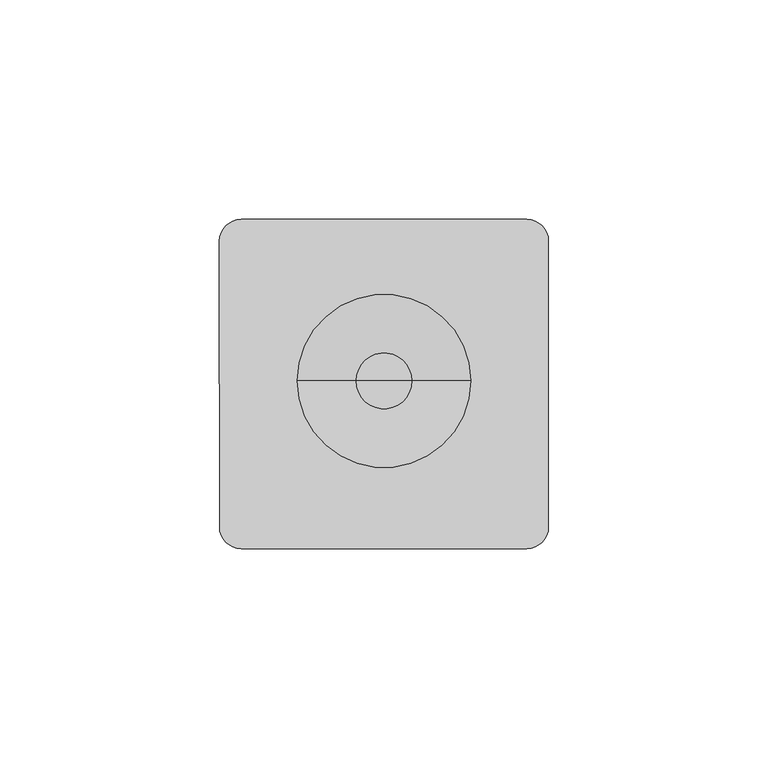
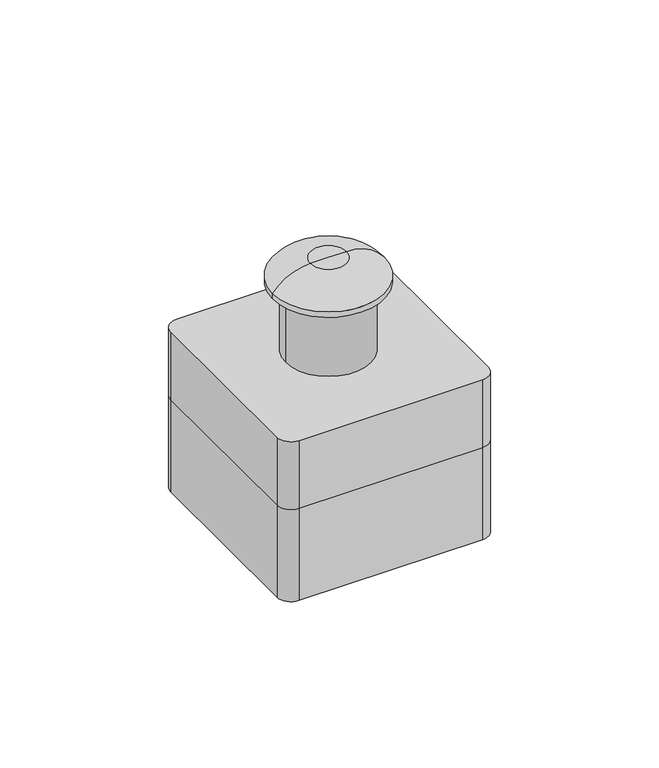
"""IFC4 building model written with IfcOpenShell, lengths in millimetres: proxy geometry."""

from ifc_helpers import new_model, si_unit, point, frame, frame_2d, origin, place, context, project, spatial, circle_curve, ellipse_curve, trimmed, segment, composite_curve, outline, extrude, source, transform, mapped, element, save
from ifc_brep_helpers import plane_surface, cylinder_surface, revolved_surface, advanced_brep


def specialty_equipment_959d6e12(model_context):
    return source(origin(), model_context, "Body", "SolidModel", [
        advanced_brep(
        [(0.0, -90.0132069, 999.728125), (19.7414983, -90.0132069, 999.728125), (-19.7414983, -90.0132069, 999.728125), (-6.35, -90.0132069, 1008.38), (6.35, -90.0132069, 1008.38), (0.0, -90.0132069, 1008.38), (-19.7414983, -90.0132069, 1001.7695553), (19.7414983, -90.0132069, 1001.7695553)],
        [
            (0, 1),
            (1, 2, circle_curve(frame((0.0, -90.0132069, 999.728125), z_axis=(0.0, 0.0, -1.0), x_axis=(1.0, 0.0, 0.0)), 19.7414983)),
            (2, 0),
            (2, 1, circle_curve(frame((0.0, -90.0132069, 999.728125), z_axis=(0.0, 0.0, -1.0), x_axis=(1.0, 0.0, 0.0)), 19.7414983)),
            (3, 4, circle_curve(frame((0.0, -90.0132069, 1008.38), z_axis=(0.0, 0.0, 1.0), x_axis=(1.0, 0.0, 0.0)), 6.35)),
            (4, 5),
            (5, 3),
            (4, 3, circle_curve(frame((0.0, -90.0132069, 1008.38), z_axis=(0.0, 0.0, 1.0), x_axis=(1.0, 0.0, 0.0)), 6.35)),
            (6, 7, circle_curve(frame((0.0, -90.0132069, 1001.7695553), z_axis=(0.0, 0.0, 1.0), x_axis=(1.0, 0.0, 0.0)), 19.7414983)),
            (7, 4, circle_curve(frame((6.35, -90.0132069, 991.5104688), z_axis=(0.0, -1.0, 0.0), x_axis=(1.0, 0.0, 0.0)), 16.8695312)),
            (3, 6, circle_curve(frame((-6.35, -90.0132069, 991.5104688), z_axis=(0.0, -1.0, 0.0), x_axis=(-1.0, 0.0, 0.0)), 16.8695312)),
            (7, 6, circle_curve(frame((0.0, -90.0132069, 1001.7695553), z_axis=(0.0, 0.0, 1.0), x_axis=(1.0, 0.0, 0.0)), 19.7414983)),
            (1, 7),
            (6, 2),
        ],
        [
            plane_surface(frame((0.0, -90.0132069, 999.728125), z_axis=(0.0, 0.0, -1.0), x_axis=(1.0, 0.0, 0.0))),
            plane_surface(frame((0.0, -90.0132069, 1008.38), z_axis=(0.0, 0.0, 1.0), x_axis=(1.0, 0.0, 0.0))),
            revolved_surface(trimmed(ellipse_curve(frame((6.35, -90.0132069, 991.5104688), z_axis=(0.0, 1.0, 0.0), x_axis=(1.0, 0.0, 0.0)), 16.8695312, 16.8695312), [point((6.35, -90.0132069, 1008.38))], [point((19.7414983, -90.0132069, 1001.7695553))], True, "CARTESIAN"), (0.0, -90.0132069, 999.728125), (0.0, 0.0, -1.0)),
            cylinder_surface(frame((0.0, -90.0132069, 999.728125), z_axis=(0.0, 0.0, -1.0), x_axis=(1.0, 0.0, 0.0)), 19.7414983),
        ],
        [
            (0, [[1, 2, 3]]),
            (0, [[-3, 4, -1]]),
            (1, [[5, 6, 7]]),
            (1, [[8, -7, -6]]),
            (2, [[9, 10, -5, 11]]),
            (2, [[12, -11, -8, -10]]),
            (3, [[-2, 13, -9, 14]]),
            (3, [[-4, -14, -12, -13]]),
        ],
    ),
        extrude(outline(composite_curve([segment(trimmed(circle_curve(frame_2d((-0.0208831, -90.0132069)), 15.0550429), [point((-15.075926, -90.0132069))], [point((15.0341598, -90.0132069))], False, "CARTESIAN"), True, "CONTINUOUS"), segment(trimmed(circle_curve(frame_2d((-0.0208831, -90.0132069)), 15.0550429), [point((15.0341598, -90.0132069))], [point((-15.075926, -90.0132069))], False, "CARTESIAN"), True, "CONTINUOUS")], self_intersect=False)), frame((0.0, 0.0, 974.328125), z_axis=(0.0, 0.0, 1.0), x_axis=(1.0, 0.0, 0.0)), (0.0, 0.0, 1.0), 25.4),
        advanced_brep(
        [(-32.5706865, -53.2197806, 974.328125), (-37.5025818, -58.1516759, 974.328125), (-37.5025818, -123.2686866, 974.328125), (-32.5463241, -128.2040612, 974.328125), (32.5463241, -128.2040612, 974.328125), (37.4782182, -123.2686866, 974.328125), (37.4782182, -58.1551552, 974.328125), (32.5463241, -53.2197806, 974.328125), (-32.5706865, -53.2197806, 948.928125), (32.5463241, -53.2197806, 948.928125), (37.4782182, -58.1551552, 948.928125), (37.4782182, -123.2686866, 948.928125), (32.5463241, -128.2040612, 948.928125), (-32.5463241, -128.2040612, 948.928125), (-37.4782182, -123.2686866, 948.928125), (-37.5025818, -58.1516759, 948.928125)],
        [
            (0, 1, circle_curve(frame((-32.5706865, -58.1516759, 974.328125), z_axis=(0.0, 0.0, 1.0), x_axis=(1.0, 0.0, 0.0)), 4.9318953)),
            (1, 2),
            (2, 3, circle_curve(frame((-32.5428424, -123.2686866, 974.328125), z_axis=(0.0, 0.0, 1.0), x_axis=(-1.0, 0.0, 0.0)), 4.9353758)),
            (3, 4),
            (4, 5, circle_curve(frame((32.5428424, -123.2686866, 974.328125), z_axis=(0.0, 0.0, 1.0), x_axis=(1.0, 0.0, 0.0)), 4.9353758)),
            (5, 6),
            (6, 7, circle_curve(frame((32.5463241, -58.1516759, 974.328125), z_axis=(0.0, 0.0, 1.0), x_axis=(1.0, 0.0, 0.0)), 4.9318953)),
            (7, 0),
            (8, 9),
            (9, 10, circle_curve(frame((32.5463241, -58.1516759, 948.928125), z_axis=(0.0, 0.0, -1.0), x_axis=(1.0, 0.0, 0.0)), 4.9318953)),
            (10, 11),
            (11, 12, circle_curve(frame((32.5428424, -123.2686866, 948.928125), z_axis=(0.0, 0.0, -1.0), x_axis=(1.0, 0.0, 0.0)), 4.9353758)),
            (12, 13),
            (13, 14, circle_curve(frame((-32.5428424, -123.2686866, 948.928125), z_axis=(0.0, 0.0, -1.0), x_axis=(-1.0, 0.0, 0.0)), 4.9353758)),
            (14, 15),
            (15, 8, circle_curve(frame((-32.5706865, -58.1516759, 948.928125), z_axis=(0.0, 0.0, -1.0), x_axis=(1.0, 0.0, 0.0)), 4.9318953)),
            (0, 8),
            (15, 1),
            (14, 2),
            (13, 3),
            (12, 4),
            (11, 5),
            (10, 6),
            (9, 7),
        ],
        [
            plane_surface(frame((-27.6387913, -58.1516759, 974.328125), z_axis=(0.0, 0.0, 1.0), x_axis=(0.0, 1.0, 0.0))),
            plane_surface(frame((-27.6387913, -58.1516759, 948.928125), z_axis=(0.0, 0.0, -1.0), x_axis=(0.0, -1.0, 0.0))),
            cylinder_surface(frame((-32.5706865, -58.1516759, 948.928125), z_axis=(0.0, 0.0, 1.0), x_axis=(1.0, 0.0, 0.0)), 4.9318953),
            plane_surface(frame((-37.5025818, -58.1516759, 974.328125), z_axis=(-1.0, 0.0, 0.0), x_axis=(0.0, 0.0, -1.0))),
            cylinder_surface(frame((-32.5428424, -123.2686866, 948.928125), z_axis=(0.0, 0.0, 1.0), x_axis=(-1.0, 0.0, 0.0)), 4.9353758),
            plane_surface(frame((-32.5463241, -128.2040612, 974.328125), z_axis=(0.0, -1.0, 0.0), x_axis=(0.0, 0.0, -1.0))),
            cylinder_surface(frame((32.5428424, -123.2686866, 948.928125), z_axis=(0.0, 0.0, 1.0), x_axis=(1.0, 0.0, 0.0)), 4.9353758),
            plane_surface(frame((37.4782182, -123.2686866, 974.328125), z_axis=(1.0, 0.0, 0.0), x_axis=(0.0, 0.0, -1.0))),
            cylinder_surface(frame((32.5463241, -58.1516759, 948.928125), z_axis=(0.0, 0.0, 1.0), x_axis=(1.0, 0.0, 0.0)), 4.9318953),
            plane_surface(frame((32.5463241, -53.2197806, 974.328125), z_axis=(0.0, 1.0, 0.0), x_axis=(0.0, 0.0, -1.0))),
        ],
        [
            (0, [[1, 2, 3, 4, 5, 6, 7, 8]]),
            (1, [[9, 10, 11, 12, 13, 14, 15, 16]]),
            (2, [[-1, 17, -16, 18]]),
            (3, [[-2, -18, -15, 19]]),
            (4, [[-3, -19, -14, 20]]),
            (5, [[-4, -20, -13, 21]]),
            (6, [[-5, -21, -12, 22]]),
            (7, [[-6, -22, -11, 23]]),
            (8, [[-7, -23, -10, 24]]),
            (9, [[-8, -24, -9, -17]]),
        ],
    ),
        advanced_brep(
        [(32.5463241, -53.2197806, 948.928125), (-32.5706865, -53.2197806, 948.928125), (-37.5025818, -58.1516759, 948.928125), (-37.5025818, -123.2686866, 948.928125), (-32.5463241, -128.2040612, 948.928125), (32.5463241, -128.2040612, 948.928125), (37.4782182, -123.2686866, 948.928125), (37.4782182, -58.1551552, 948.928125), (32.5463241, -53.2197806, 914.4), (37.4782182, -58.1551552, 914.4), (37.4782182, -123.2686866, 914.4), (32.5463241, -128.2040612, 914.4), (-32.5463241, -128.2040612, 914.4), (-37.4782182, -123.2686866, 914.4), (-37.5025818, -58.1516759, 914.4), (-32.5706865, -53.2197806, 914.4)],
        [
            (0, 1),
            (1, 2, circle_curve(frame((-32.5706865, -58.1516759, 948.928125), z_axis=(0.0, 0.0, 1.0), x_axis=(1.0, 0.0, 0.0)), 4.9318953)),
            (2, 3),
            (3, 4, circle_curve(frame((-32.5428424, -123.2686866, 948.928125), z_axis=(0.0, 0.0, 1.0), x_axis=(-1.0, 0.0, 0.0)), 4.9353758)),
            (4, 5),
            (5, 6, circle_curve(frame((32.5428424, -123.2686866, 948.928125), z_axis=(0.0, 0.0, 1.0), x_axis=(1.0, 0.0, 0.0)), 4.9353758)),
            (6, 7),
            (7, 0, circle_curve(frame((32.5463241, -58.1516759, 948.928125), z_axis=(0.0, 0.0, 1.0), x_axis=(1.0, 0.0, 0.0)), 4.9318953)),
            (8, 9, circle_curve(frame((32.5463241, -58.1516759, 914.4), z_axis=(0.0, 0.0, -1.0), x_axis=(1.0, 0.0, 0.0)), 4.9318953)),
            (9, 10),
            (10, 11, circle_curve(frame((32.5428424, -123.2686866, 914.4), z_axis=(0.0, 0.0, -1.0), x_axis=(1.0, 0.0, 0.0)), 4.9353758)),
            (11, 12),
            (12, 13, circle_curve(frame((-32.5428424, -123.2686866, 914.4), z_axis=(0.0, 0.0, -1.0), x_axis=(-1.0, 0.0, 0.0)), 4.9353758)),
            (13, 14),
            (14, 15, circle_curve(frame((-32.5706865, -58.1516759, 914.4), z_axis=(0.0, 0.0, -1.0), x_axis=(1.0, 0.0, 0.0)), 4.9318953)),
            (15, 8),
            (0, 8),
            (15, 1),
            (14, 2),
            (13, 3),
            (12, 4),
            (11, 5),
            (10, 6),
            (9, 7),
        ],
        [
            plane_surface(frame((-32.5706878, -53.2197806, 948.928125), z_axis=(0.0, 0.0, 1.0), x_axis=(-1.0, 0.0, 0.0))),
            plane_surface(frame((-32.5706878, -53.2197806, 914.4), z_axis=(0.0, 0.0, -1.0), x_axis=(1.0, 0.0, 0.0))),
            plane_surface(frame((32.5463241, -53.2197806, 948.928125), z_axis=(0.0, 1.0, 0.0), x_axis=(0.0, 0.0, -1.0))),
            cylinder_surface(frame((-32.5706865, -58.1516759, 914.4), z_axis=(0.0, 0.0, 1.0), x_axis=(1.0, 0.0, 0.0)), 4.9318953),
            plane_surface(frame((-37.5025818, -58.1516759, 948.928125), z_axis=(-1.0, 0.0, 0.0), x_axis=(0.0, 0.0, -1.0))),
            cylinder_surface(frame((-32.5428424, -123.2686866, 914.4), z_axis=(0.0, 0.0, 1.0), x_axis=(-1.0, 0.0, 0.0)), 4.9353758),
            plane_surface(frame((-32.5463241, -128.2040612, 948.928125), z_axis=(0.0, -1.0, 0.0), x_axis=(0.0, 0.0, -1.0))),
            cylinder_surface(frame((32.5428424, -123.2686866, 914.4), z_axis=(0.0, 0.0, 1.0), x_axis=(1.0, 0.0, 0.0)), 4.9353758),
            plane_surface(frame((37.4782182, -123.2686866, 948.928125), z_axis=(1.0, 0.0, 0.0), x_axis=(0.0, 0.0, -1.0))),
            cylinder_surface(frame((32.5463241, -58.1516759, 914.4), z_axis=(0.0, 0.0, 1.0), x_axis=(1.0, 0.0, 0.0)), 4.9318953),
        ],
        [
            (0, [[1, 2, 3, 4, 5, 6, 7, 8]]),
            (1, [[9, 10, 11, 12, 13, 14, 15, 16]]),
            (2, [[-1, 17, -16, 18]]),
            (3, [[-2, -18, -15, 19]]),
            (4, [[-3, -19, -14, 20]]),
            (5, [[-4, -20, -13, 21]]),
            (6, [[-5, -21, -12, 22]]),
            (7, [[-6, -22, -11, 23]]),
            (8, [[-7, -23, -10, 24]]),
            (9, [[-8, -24, -9, -17]]),
        ],
    ),
    ])


if __name__ == "__main__":
    model = new_model("IFC4")
    model_context = context("Model", 3, world=origin())
    ifc_project = project(units=[si_unit("LENGTHUNIT", "METRE", prefix="MILLI")], contexts=[model_context])
    site = spatial("IfcSite", under=ifc_project)
    building = spatial("IfcBuilding", under=site)
    placement = place(None, origin())
    specialty_equipment_shape = specialty_equipment_959d6e12(model_context)
    element("IfcBuildingElementProxy", 1, Name="Specialty Equipment", at=placement, inside=building, context=model_context, shape_type="MappedRepresentation", body=[
        mapped(specialty_equipment_shape, transform((0.0, 0.0, 0.0), x_axis=(1.0, 0.0, 0.0), y_axis=(0.0, 1.0, 0.0), z_axis=(0.0, 0.0, 1.0))),
    ])
    save(model, "model.ifc")
